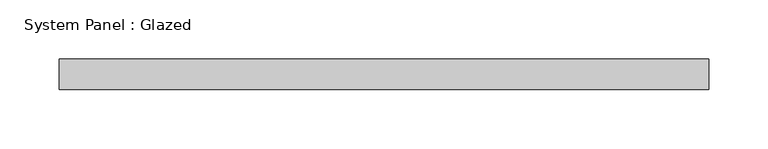
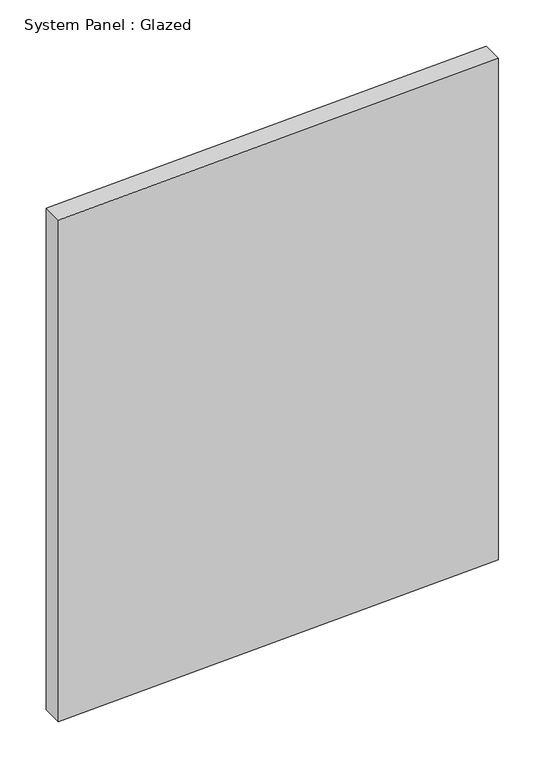
"""IFC4 building model written with IfcOpenShell, lengths in millimetres: plate geometry, System Panel : Glazed."""

from ifc_helpers import new_model, si_unit, frame, origin, place, context, project, spatial, polyline, outline, extrude, source, transform, mapped, element, save


def system_panel_glazed_29b04f7f(model_context):
    return source(origin(), model_context, "Body", "SweptSolid", [
        extrude(outline(polyline([(0.0, -273.05), (20.8288186, 273.05), (679.4749854, 273.05), (658.3145822, -273.05), (0.0, -273.05)])), frame((0.0, 19.05, 0.0), z_axis=(0.0, 1.0, 0.0), x_axis=(0.0, 0.0, 1.0)), (0.0, 0.0, 1.0), 25.4),
    ])


if __name__ == "__main__":
    model = new_model("IFC4")
    model_context = context("Model", 3, world=origin())
    ifc_project = project(units=[si_unit("LENGTHUNIT", "METRE", prefix="MILLI")], contexts=[model_context])
    site = spatial("IfcSite", under=ifc_project)
    building = spatial("IfcBuilding", under=site)
    placement = place(None, origin())
    system_panel_glazed_shape = system_panel_glazed_29b04f7f(model_context)
    element("IfcPlate", 1, ObjectType="System Panel : Glazed", at=placement, inside=building, context=model_context, shape_type="MappedRepresentation", body=[
        mapped(system_panel_glazed_shape, transform((0.0, 0.0, 0.0), x_axis=(1.0, 0.0, 0.0), y_axis=(0.0, 1.0, 0.0), z_axis=(0.0, 0.0, 1.0))),
    ])
    save(model, "model.ifc")
